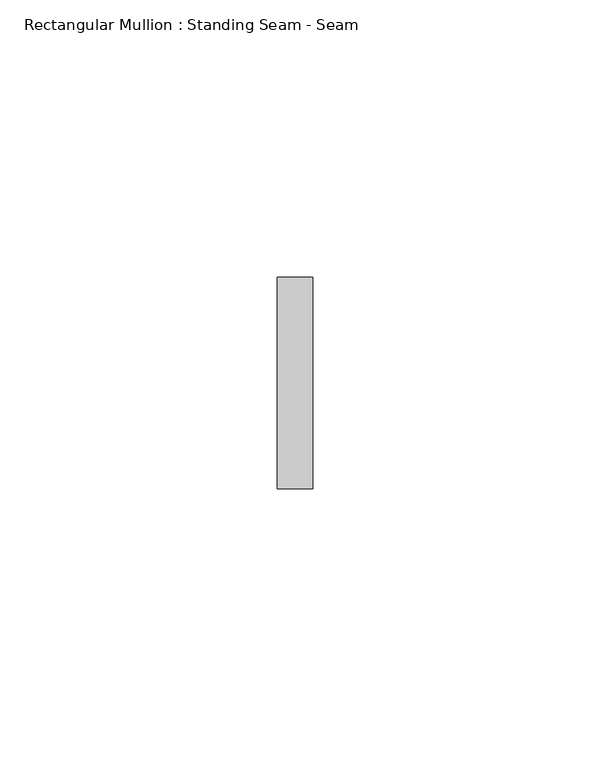
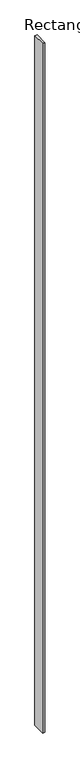
"""IFC4 building model written with IfcOpenShell, lengths in millimetres: member geometry, Rectangular Mullion : Standing Seam - Seam."""

from ifc_helpers import new_model, si_unit, frame, origin, place, context, project, spatial, polyline, outline, extrude, source, transform, mapped, element, save


def rectangular_mullion_standing_seam_seam_bcf384af(model_context):
    return source(origin(), model_context, "Body", "SweptSolid", [
        extrude(outline(polyline([(3.175, 41.275), (3.175, 3.175), (-3.175, 3.175), (-3.175, 41.275), (3.175, 41.275)])), frame((0.0, 0.0, -2050.429298), z_axis=(0.0, 0.0, 1.0), x_axis=(1.0, 0.0, 0.0)), (0.0, 0.0, 1.0), 2050.429298),
    ])


if __name__ == "__main__":
    model = new_model("IFC4")
    model_context = context("Model", 3, world=origin())
    ifc_project = project(units=[si_unit("LENGTHUNIT", "METRE", prefix="MILLI")], contexts=[model_context])
    site = spatial("IfcSite", under=ifc_project)
    building = spatial("IfcBuilding", under=site)
    placement = place(None, origin())
    rectangular_mullion_standing_seam_seam_shape = rectangular_mullion_standing_seam_seam_bcf384af(model_context)
    element("IfcMember", 1, ObjectType="Rectangular Mullion : Standing Seam - Seam", at=placement, inside=building, context=model_context, shape_type="MappedRepresentation", body=[
        mapped(rectangular_mullion_standing_seam_seam_shape, transform((0.0, 0.0, 0.0), x_axis=(1.0, 0.0, 0.0), y_axis=(0.0, 1.0, 0.0), z_axis=(0.0, 0.0, 1.0))),
    ])
    save(model, "model.ifc")
